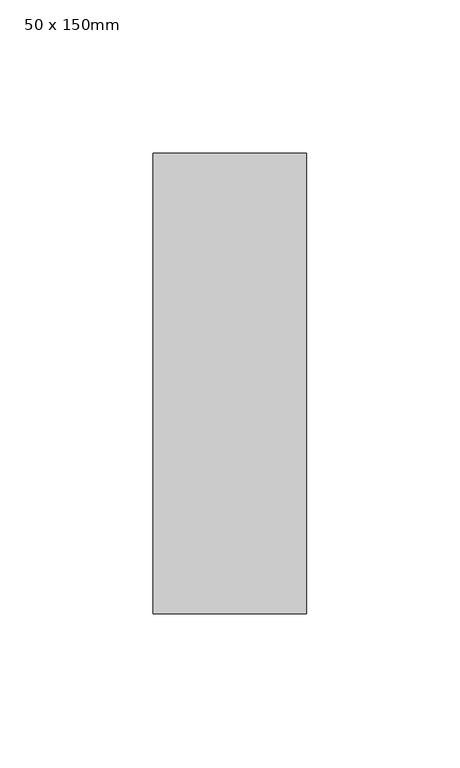
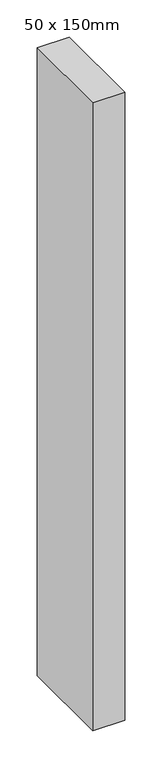
"""IFC4 building model written with IfcOpenShell, lengths in millimetres: member geometry, 50 x 150mm."""

from ifc_helpers import new_model, si_unit, frame, origin, place, context, project, spatial, polyline, outline, extrude, source, transform, mapped, element, save


def member_50_x_150mm_56edd1d1(model_context):
    return source(origin(), model_context, "Body", "SweptSolid", [
        extrude(outline(polyline([(25.0, 75.0), (25.0, -75.0), (-25.0, -75.0), (-25.0, 75.0), (25.0, 75.0)])), frame((0.0, 0.0, -1035.2761804), z_axis=(0.0, 0.0, 1.0), x_axis=(1.0, 0.0, 0.0)), (0.0, 0.0, 1.0), 1035.2761804),
    ])


if __name__ == "__main__":
    model = new_model("IFC4")
    model_context = context("Model", 3, world=origin())
    ifc_project = project(units=[si_unit("LENGTHUNIT", "METRE", prefix="MILLI")], contexts=[model_context])
    site = spatial("IfcSite", under=ifc_project)
    building = spatial("IfcBuilding", under=site)
    placement = place(None, origin())
    member_50_x_150mm_shape = member_50_x_150mm_56edd1d1(model_context)
    element("IfcMember", 1, ObjectType="50 x 150mm", at=placement, inside=building, context=model_context, shape_type="MappedRepresentation", body=[
        mapped(member_50_x_150mm_shape, transform((0.0, 0.0, 0.0), x_axis=(1.0, 0.0, 0.0), y_axis=(0.0, 1.0, 0.0), z_axis=(0.0, 0.0, 1.0))),
    ])
    save(model, "model.ifc")
